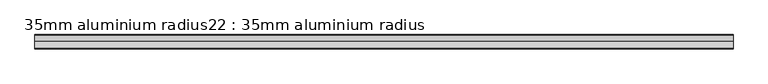
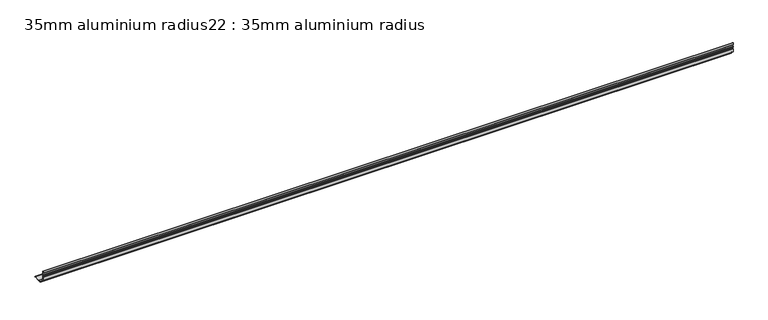
"""IFC4 building model written with IfcOpenShell, lengths in millimetres: proxy geometry, 35mm aluminium radius22 : 35mm aluminium radius."""

from ifc_helpers import new_model, si_unit, point, frame, frame_2d, origin, place, context, project, spatial, polyline, circle_curve, trimmed, segment, composite_curve, outline, extrude, source, transform, mapped, element, save


def proxy_35mm_aluminium_radius22_35mm_aluminium_radius_647d90ff(model_context):
    return source(origin(), model_context, "Body", "SweptSolid", [
        extrude(outline(composite_curve([segment(polyline([(-27052.7541764, 291.5750006), (-27052.7541764, 302.7875), (-27051.8991764, 303.6425), (-27051.8991764, 307.7825), (-27052.7541764, 308.6375), (-27052.7541764, 311.075), (-27051.8991764, 311.93), (-27051.8991764, 316.07), (-27052.7541764, 316.925), (-27052.7541764, 323.75)]), True, "CONTINUOUS"), segment(trimmed(circle_curve(frame_2d((-27052.7541764, 322.45)), 1.3), [point((-27052.7541764, 323.75))], [point((-27051.4541764, 322.45))], False, "CARTESIAN"), True, "CONTINUOUS"), segment(polyline([(-27051.4541764, 322.45), (-27051.4541764, 300.675)]), True, "CONTINUOUS"), segment(trimmed(circle_curve(frame_2d((-27027.0791764, 300.675)), 24.375), [point((-27051.4541764, 300.675))], [point((-27027.0791764, 276.3))], True, "CARTESIAN"), True, "CONTINUOUS"), segment(polyline([(-27027.0791764, 276.3), (-27005.3041764, 276.3)]), True, "CONTINUOUS"), segment(trimmed(circle_curve(frame_2d((-27005.3041764, 275.0)), 1.3), [point((-27005.3041764, 276.3))], [point((-27004.0041764, 275.0))], False, "CARTESIAN"), True, "CONTINUOUS"), segment(polyline([(-27004.0041764, 275.0), (-27010.8291764, 275.0), (-27011.6841764, 275.855), (-27015.8241764, 275.855), (-27016.6791764, 275.0), (-27019.1166764, 275.0), (-27019.9716764, 275.855), (-27024.1116764, 275.855), (-27024.9666764, 275.0), (-27036.1791758, 275.0)]), True, "CONTINUOUS"), segment(trimmed(circle_curve(frame_2d((-27040.0294901, 274.3794518)), 3.9), [point((-27036.1791758, 275.0))], [point((-27038.1705659, 277.807921))], True, "CARTESIAN"), True, "CONTINUOUS"), segment(trimmed(circle_curve(frame_2d((-27027.0791764, 300.675)), 25.415), [point((-27038.1705659, 277.807921))], [point((-27049.9462554, 289.5836105))], False, "CARTESIAN"), True, "CONTINUOUS"), segment(trimmed(circle_curve(frame_2d((-27053.3747246, 287.7246863)), 3.9), [point((-27049.9462554, 289.5836105))], [point((-27052.7541764, 291.5750006))], True, "CARTESIAN"), True, "CONTINUOUS")], self_intersect=False)), frame((4244.6309284, 0.0, 0.0), z_axis=(1.0, 0.0, 0.0), x_axis=(0.0, 1.0, 0.0)), (0.0, 0.0, 1.0), 2400.0),
    ])


if __name__ == "__main__":
    model = new_model("IFC4")
    model_context = context("Model", 3, world=origin())
    ifc_project = project(units=[si_unit("LENGTHUNIT", "METRE", prefix="MILLI")], contexts=[model_context])
    site = spatial("IfcSite", under=ifc_project)
    building = spatial("IfcBuilding", under=site)
    placement = place(None, origin())
    proxy_35mm_aluminium_radius22_35mm_aluminium_radius_shape = proxy_35mm_aluminium_radius22_35mm_aluminium_radius_647d90ff(model_context)
    element("IfcBuildingElementProxy", 1, Name="35mm aluminium radius22 : 35mm aluminium radius", ObjectType="35mm aluminium radius22 : 35mm aluminium radius", at=placement, inside=building, context=model_context, shape_type="MappedRepresentation", body=[
        mapped(proxy_35mm_aluminium_radius22_35mm_aluminium_radius_shape, transform((0.0, 0.0, 0.0), x_axis=(1.0, 0.0, 0.0), y_axis=(0.0, 1.0, 0.0), z_axis=(0.0, 0.0, 1.0))),
    ])
    save(model, "model.ifc")
